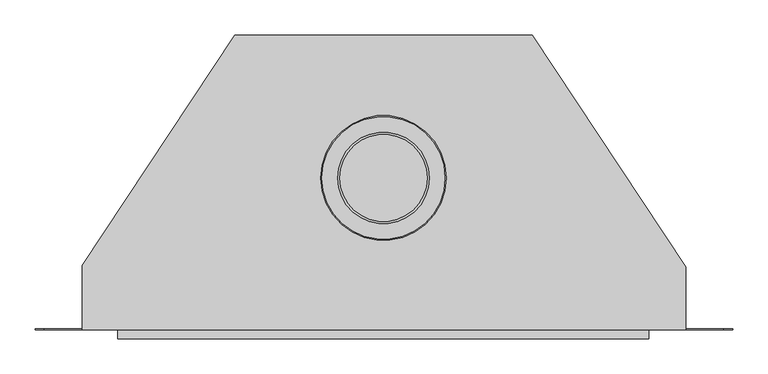
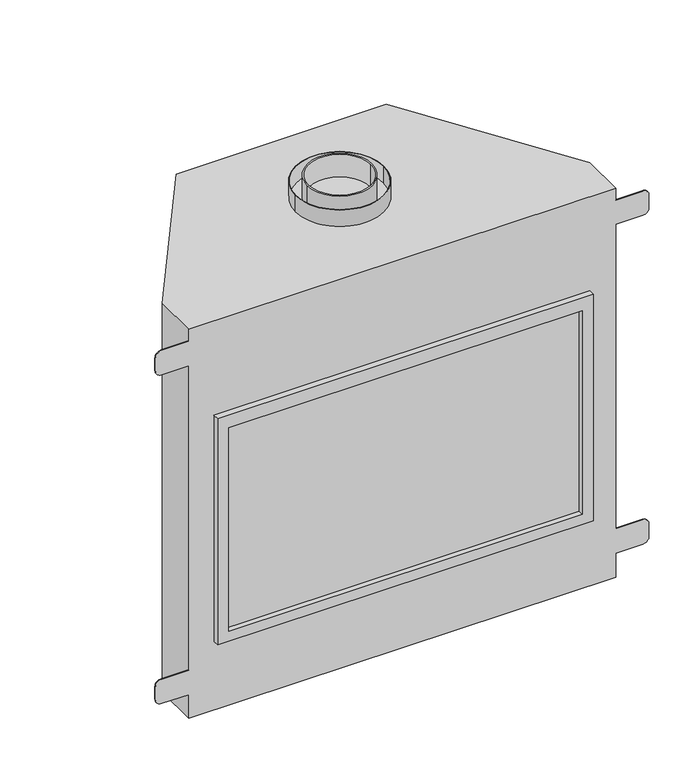
"""IFC4 building model written with IfcOpenShell, lengths in millimetres: proxy geometry."""

from ifc_helpers import new_model, si_unit, point, frame, frame_2d, origin, place, context, project, spatial, polyline, circle_curve, trimmed, segment, composite_curve, outline, extrude, source, transform, mapped, element, save
from ifc_brep_helpers import plane_surface, cylinder_surface, advanced_brep


def generic_models_ea72b414(model_context):
    return source(origin(), model_context, "Body", "SolidModel", [
        extrude(outline(composite_curve([segment(trimmed(circle_curve(frame_2d((0.0, 215.9)), 88.9), [point((-88.9, 215.9))], [point((88.9, 215.9))], False, "CARTESIAN"), True, "CONTINUOUS"), segment(trimmed(circle_curve(frame_2d((0.0, 215.9)), 88.9), [point((88.9, 215.9))], [point((-88.9, 215.9))], False, "CARTESIAN"), True, "CONTINUOUS")], self_intersect=False), holes=[composite_curve([segment(trimmed(circle_curve(frame_2d((0.0, 215.9)), 87.3125), [point((-87.3125, 215.9))], [point((87.3125, 215.9))], True, "CARTESIAN"), True, "CONTINUOUS"), segment(trimmed(circle_curve(frame_2d((0.0, 215.9)), 87.3125), [point((87.3125, 215.9))], [point((-87.3125, 215.9))], True, "CARTESIAN"), True, "CONTINUOUS")], self_intersect=False)]), frame((0.0, 0.0, 825.896875), z_axis=(0.0, 0.0, 1.0), x_axis=(1.0, 0.0, 0.0)), (0.0, 0.0, 1.0), 34.925),
        extrude(outline(composite_curve([segment(trimmed(circle_curve(frame_2d((0.0, 215.9)), 65.151), [point((-65.151, 215.9))], [point((65.151, 215.9))], False, "CARTESIAN"), True, "CONTINUOUS"), segment(trimmed(circle_curve(frame_2d((0.0, 215.9)), 65.151), [point((65.151, 215.9))], [point((-65.151, 215.9))], False, "CARTESIAN"), True, "CONTINUOUS")], self_intersect=False), holes=[composite_curve([segment(trimmed(circle_curve(frame_2d((0.0, 215.9)), 61.976), [point((-61.976, 215.9))], [point((61.976, 215.9))], True, "CARTESIAN"), True, "CONTINUOUS"), segment(trimmed(circle_curve(frame_2d((0.0, 215.9)), 61.976), [point((61.976, 215.9))], [point((-61.976, 215.9))], True, "CARTESIAN"), True, "CONTINUOUS")], self_intersect=False)]), frame((0.0, 0.0, 825.896875), z_axis=(0.0, 0.0, 1.0), x_axis=(1.0, 0.0, 0.0)), (0.0, 0.0, 1.0), 47.625),
        extrude(outline(polyline([(354.80625, -1.5875), (-354.80625, -1.5875), (-354.80625, 0.0), (354.80625, 0.0), (354.80625, -1.5875)])), frame((0.0, 0.0, 167.0373116), z_axis=(0.0, 0.0, 1.0), x_axis=(1.0, 0.0, 0.0)), (0.0, 0.0, 1.0), 431.8),
        extrude(outline(polyline([(146.05, 377.2417745), (626.1640501, 377.2417745), (626.1640501, -377.2418341), (146.05, -377.2418341), (146.05, 377.2417745)]), holes=[polyline([(598.8373116, -354.80625), (598.8373116, 354.80625), (167.0373116, 354.80625), (167.0373116, -354.80625), (598.8373116, -354.80625)])]), frame((0.0, -12.7, 0.0), z_axis=(0.0, 1.0, 0.0), x_axis=(0.0, 0.0, 1.0)), (0.0, 0.0, 1.0), 12.7),
        advanced_brep(
        [(429.4188245, 1.5875, 800.496875), (483.7624933, 1.5875, 800.496875), (496.4553408, 1.5875, 787.8372235), (496.455341, 1.5875, 761.3212016), (483.7956483, 1.5875, 748.6615066), (429.4188245, 1.5875, 748.6614972), (429.4188245, 1.5875, 102.5989216), (483.7956442, 1.5875, 102.5989159), (496.4553378, 1.5875, 89.939221), (496.4553378, 1.5875, 63.4255829), (483.7956429, 1.5875, 50.7658879), (429.4188245, 1.5875, 50.7658879), (-427.8311755, 1.5875, 50.7658879), (-482.2079898, 1.5875, 50.7658879), (-494.8676848, 1.5875, 63.4255829), (-494.8676848, 1.5875, 89.9392056), (-482.2079911, 1.5875, 102.5989005), (-427.8311755, 1.5875, 102.5989061), (-427.8311755, 1.5875, 748.6624229), (-482.2079462, 1.5875, 748.6624323), (-494.867639, 1.5875, 761.3221273), (-494.867639, 1.5875, 787.8244894), (-482.1747965, 1.5875, 800.4954449), (-427.8311755, 1.5875, 800.4954449), (429.4188245, 0.0, 800.496875), (429.4188245, 0.0, 825.896875), (-427.8311755, 0.0, 825.896875), (-427.8311755, 0.0, 800.4954449), (-482.1747965, 0.0, 800.4954449), (-494.867639, 0.0, 787.8244894), (-494.867639, 0.0, 761.3221273), (-482.2079462, 0.0, 748.6624323), (-427.8311755, 0.0, 748.6624229), (-427.8311755, 0.0, 102.5989061), (-482.2079911, 0.0, 102.5989005), (-494.8676848, 0.0, 89.9392056), (-494.8676848, 0.0, 63.4255829), (-482.2079898, 0.0, 50.7658879), (-427.8311755, 0.0, 50.7658879), (-427.8311755, 0.0, 0.0), (429.4188245, 0.0, 0.0), (429.4188245, 0.0, 50.7658879), (483.7956429, 0.0, 50.7658879), (496.4553378, 0.0, 63.4255829), (496.4553378, 0.0, 89.939221), (483.7956442, 0.0, 102.5989159), (429.4188245, 0.0, 102.5989216), (429.4188245, 0.0, 748.6614972), (483.7956483, 0.0, 748.6615066), (496.455341, 0.0, 761.3212016), (496.4553408, 0.0, 787.8372235), (483.7624933, 0.0, 800.496875), (-211.1375, 419.1, 825.896875), (211.1375517, 419.1, 825.896875), (211.1375517, 419.1, 0.0), (-211.1375, 419.1, 0.0), (429.4188245, 89.3129709, 0.0), (429.4188245, 89.3129709, 825.896875), (-427.8311755, 91.7115688, 825.896875), (-427.8311755, 91.7115688, 0.0)],
        [
            (0, 1),
            (1, 2, circle_curve(frame((483.7956458, 1.5875, 787.8372235), z_axis=(0.0, 1.0, 0.0), x_axis=(1.0, 0.0, 0.0)), 12.6596949)),
            (2, 3),
            (3, 4, circle_curve(frame((483.7956461, 1.5875, 761.3212016), z_axis=(0.0, 1.0, 0.0), x_axis=(1.0, 0.0, 0.0)), 12.6596949)),
            (4, 5),
            (5, 0),
            (6, 7),
            (7, 8, circle_curve(frame((483.7956429, 1.5875, 89.939221), z_axis=(0.0, 1.0, 0.0), x_axis=(1.0, 0.0, 0.0)), 12.6596949)),
            (8, 9),
            (9, 10, circle_curve(frame((483.7956429, 1.5875, 63.4255829), z_axis=(0.0, 1.0, 0.0), x_axis=(1.0, 0.0, 0.0)), 12.6596949)),
            (10, 11),
            (11, 6),
            (12, 13),
            (13, 14, circle_curve(frame((-482.2079898, 1.5875, 63.4255829), z_axis=(0.0, 1.0, 0.0), x_axis=(1.0, 0.0, 0.0)), 12.6596949)),
            (14, 15),
            (15, 16, circle_curve(frame((-482.2079898, 1.5875, 89.9392056), z_axis=(0.0, 1.0, 0.0), x_axis=(1.0, 0.0, 0.0)), 12.6596949)),
            (16, 17),
            (17, 12),
            (18, 19),
            (19, 20, circle_curve(frame((-482.207944, 1.5875, 761.3221273), z_axis=(0.0, 1.0, 0.0), x_axis=(1.0, 0.0, 0.0)), 12.6596949)),
            (20, 21),
            (21, 22, circle_curve(frame((-482.2079491, 1.5875, 787.8357934), z_axis=(0.0, 1.0, 0.0), x_axis=(1.0, 0.0, 0.0)), 12.6596949)),
            (22, 23),
            (23, 18),
            (24, 25),
            (25, 26),
            (26, 27),
            (27, 28),
            (28, 29, circle_curve(frame((-482.2079491, 0.0, 787.8357934), z_axis=(0.0, -1.0, 0.0), x_axis=(1.0, 0.0, 0.0)), 12.6596949)),
            (29, 30),
            (30, 31, circle_curve(frame((-482.207944, 0.0, 761.3221273), z_axis=(0.0, -1.0, 0.0), x_axis=(1.0, 0.0, 0.0)), 12.6596949)),
            (31, 32),
            (32, 33),
            (33, 34),
            (34, 35, circle_curve(frame((-482.2079898, 0.0, 89.9392056), z_axis=(0.0, -1.0, 0.0), x_axis=(1.0, 0.0, 0.0)), 12.6596949)),
            (35, 36),
            (36, 37, circle_curve(frame((-482.2079898, 0.0, 63.4255829), z_axis=(0.0, -1.0, 0.0), x_axis=(1.0, 0.0, 0.0)), 12.6596949)),
            (37, 38),
            (38, 39),
            (39, 40),
            (40, 41),
            (41, 42),
            (42, 43, circle_curve(frame((483.7956429, 0.0, 63.4255829), z_axis=(0.0, -1.0, 0.0), x_axis=(1.0, 0.0, 0.0)), 12.6596949)),
            (43, 44),
            (44, 45, circle_curve(frame((483.7956429, 0.0, 89.939221), z_axis=(0.0, -1.0, 0.0), x_axis=(1.0, 0.0, 0.0)), 12.6596949)),
            (45, 46),
            (46, 47),
            (47, 48),
            (48, 49, circle_curve(frame((483.7956461, 0.0, 761.3212016), z_axis=(0.0, -1.0, 0.0), x_axis=(1.0, 0.0, 0.0)), 12.6596949)),
            (49, 50),
            (50, 51, circle_curve(frame((483.7956458, 0.0, 787.8372235), z_axis=(0.0, -1.0, 0.0), x_axis=(1.0, 0.0, 0.0)), 12.6596949)),
            (51, 24),
            (52, 53),
            (53, 54),
            (54, 55),
            (55, 52),
            (24, 0),
            (5, 47),
            (46, 6),
            (11, 41),
            (40, 56),
            (56, 57),
            (57, 25),
            (57, 53),
            (52, 58),
            (58, 26),
            (58, 59),
            (59, 39),
            (38, 12),
            (17, 33),
            (32, 18),
            (23, 27),
            (22, 28),
            (21, 29),
            (20, 30),
            (19, 31),
            (16, 34),
            (15, 35),
            (14, 36),
            (13, 37),
            (59, 55),
            (54, 56),
            (10, 42),
            (9, 43),
            (8, 44),
            (7, 45),
            (4, 48),
            (3, 49),
            (2, 50),
            (1, 51),
        ],
        [
            plane_surface(frame((429.4188245, 1.5875, 782.1972667), z_axis=(0.0, 1.0, 0.0), x_axis=(0.0, 0.0, -1.0))),
            plane_surface(frame((429.4188245, 0.0, 782.1972667), z_axis=(0.0, -1.0, 0.0), x_axis=(0.0, 0.0, 1.0))),
            plane_surface(frame((211.1375517, 419.1, 825.896875), z_axis=(0.0, 1.0, 0.0), x_axis=(0.0, 0.0, -1.0))),
            plane_surface(frame((429.4188245, 0.0, 800.496875), z_axis=(1.0, 0.0, 0.0), x_axis=(0.0, 1.0, 0.0))),
            plane_surface(frame((429.4188245, 0.0, 825.896875), z_axis=(0.0, 0.0, 1.0), x_axis=(0.0, 1.0, 0.0))),
            plane_surface(frame((-427.8311755, 0.0, 825.896875), z_axis=(-1.0, 0.0, 0.0), x_axis=(0.0, 1.0, 0.0))),
            plane_surface(frame((-427.8311755, 0.0, 800.4954449), z_axis=(0.0, 0.0, 1.0), x_axis=(0.0, 1.0, 0.0))),
            cylinder_surface(frame((-482.2079491, 1.5875, 787.8357934), z_axis=(0.0, -1.0, 0.0), x_axis=(1.0, 0.0, 0.0)), 12.6596949),
            plane_surface(frame((-494.867639, 0.0, 787.8244894), z_axis=(-1.0, 0.0, 0.0), x_axis=(0.0, 1.0, 0.0))),
            cylinder_surface(frame((-482.207944, 1.5875, 761.3221273), z_axis=(0.0, -1.0, 0.0), x_axis=(1.0, 0.0, 0.0)), 12.6596949),
            plane_surface(frame((-482.2079462, 0.0, 748.6624323), z_axis=(-1.7377278833593195e-07, 0.0, -0.9999999999999849), x_axis=(0.0, 1.0, 0.0))),
            plane_surface(frame((-427.8311755, 0.0, 102.5989061), z_axis=(-1.0381910202311191e-07, 0.0, 0.9999999999999947), x_axis=(0.0, 1.0, 0.0))),
            cylinder_surface(frame((-482.2079898, 1.5875, 89.9392056), z_axis=(0.0, -1.0, 0.0), x_axis=(1.0, 0.0, 0.0)), 12.6596949),
            plane_surface(frame((-494.8676848, 0.0, 89.9392056), z_axis=(-1.0, 0.0, 0.0), x_axis=(0.0, 1.0, 0.0))),
            cylinder_surface(frame((-482.2079898, 1.5875, 63.4255829), z_axis=(0.0, -1.0, 0.0), x_axis=(1.0, 0.0, 0.0)), 12.6596949),
            plane_surface(frame((-482.2079898, 0.0, 50.7658879), z_axis=(0.0, 0.0, -1.0), x_axis=(0.0, 1.0, 0.0))),
            plane_surface(frame((-427.8311755, 0.0, 0.0), z_axis=(0.0, 0.0, -1.0), x_axis=(0.0, 1.0, 0.0))),
            plane_surface(frame((429.4188245, 0.0, 50.7658879), z_axis=(0.0, 0.0, -1.0), x_axis=(0.0, 1.0, 0.0))),
            cylinder_surface(frame((483.7956429, 1.5875, 63.4255829), z_axis=(0.0, -1.0, 0.0), x_axis=(1.0, 0.0, 0.0)), 12.6596949),
            plane_surface(frame((496.4553378, 0.0, 63.4255829), z_axis=(1.0, 0.0, 0.0), x_axis=(0.0, 1.0, 0.0))),
            cylinder_surface(frame((483.7956429, 1.5875, 89.939221), z_axis=(0.0, -1.0, 0.0), x_axis=(1.0, 0.0, 0.0)), 12.6596949),
            plane_surface(frame((483.7956442, 0.0, 102.5989159), z_axis=(1.0381913932778904e-07, 0.0, 0.9999999999999947), x_axis=(0.0, 1.0, 0.0))),
            plane_surface(frame((429.4188245, 0.0, 748.6614972), z_axis=(1.7377284279543404e-07, 0.0, -0.9999999999999849), x_axis=(0.0, 1.0, 0.0))),
            cylinder_surface(frame((483.7956461, 1.5875, 761.3212016), z_axis=(0.0, -1.0, 0.0), x_axis=(1.0, 0.0, 0.0)), 12.6596949),
            plane_surface(frame((496.455341, 0.0, 761.3212016), z_axis=(1.0, 0.0, 7.842193963390269e-09), x_axis=(0.0, 1.0, 0.0))),
            cylinder_surface(frame((483.7956458, 1.5875, 787.8372235), z_axis=(0.0, -1.0, 0.0), x_axis=(1.0, 0.0, 0.0)), 12.6596949),
            plane_surface(frame((483.7624933, 0.0, 800.496875), z_axis=(0.0, 0.0, 1.0), x_axis=(0.0, 1.0, 0.0))),
            plane_surface(frame((-211.1375, 419.1, 825.896875), z_axis=(-0.8338858220671688, 0.5519369853120574, 0.0), x_axis=(0.0, 0.0, -1.0))),
            plane_surface(frame((429.4188245, 89.3129709, 825.896875), z_axis=(0.8338858220671687, 0.5519369853120574, 0.0), x_axis=(0.0, 0.0, -1.0))),
        ],
        [
            (0, [[1, 2, 3, 4, 5, 6]]),
            (0, [[7, 8, 9, 10, 11, 12]]),
            (0, [[13, 14, 15, 16, 17, 18]]),
            (0, [[19, 20, 21, 22, 23, 24]]),
            (1, [[25, 26, 27, 28, 29, 30, 31, 32, 33, 34, 35, 36, 37, 38, 39, 40, 41, 42, 43, 44, 45, 46, 47, 48, 49, 50, 51, 52]]),
            (2, [[53, 54, 55, 56]]),
            (3, [[-25, 57, -6, 58, -47, 59, -12, 60, -41, 61, 62, 63]]),
            (4, [[-26, -63, 64, -53, 65, 66]]),
            (5, [[-27, -66, 67, 68, -39, 69, -18, 70, -33, 71, -24, 72]]),
            (6, [[-23, 73, -28, -72]]),
            (7, [[-22, 74, -29, -73]]),
            (8, [[-21, 75, -30, -74]]),
            (9, [[-20, 76, -31, -75]]),
            (10, [[-19, -71, -32, -76]]),
            (11, [[-17, 77, -34, -70]]),
            (12, [[-16, 78, -35, -77]]),
            (13, [[-15, 79, -36, -78]]),
            (14, [[-14, 80, -37, -79]]),
            (15, [[-13, -69, -38, -80]]),
            (16, [[-61, -40, -68, 81, -55, 82]]),
            (17, [[-11, 83, -42, -60]]),
            (18, [[-10, 84, -43, -83]]),
            (19, [[-9, 85, -44, -84]]),
            (20, [[-8, 86, -45, -85]]),
            (21, [[-7, -59, -46, -86]]),
            (22, [[-5, 87, -48, -58]]),
            (23, [[-4, 88, -49, -87]]),
            (24, [[-3, 89, -50, -88]]),
            (25, [[-2, 90, -51, -89]]),
            (26, [[-1, -57, -52, -90]]),
            (27, [[-65, -56, -81, -67]]),
            (28, [[-64, -62, -82, -54]]),
        ],
    ),
    ])


if __name__ == "__main__":
    model = new_model("IFC4")
    model_context = context("Model", 3, world=origin())
    ifc_project = project(units=[si_unit("LENGTHUNIT", "METRE", prefix="MILLI")], contexts=[model_context])
    site = spatial("IfcSite", under=ifc_project)
    building = spatial("IfcBuilding", under=site)
    placement = place(None, origin())
    generic_models_shape = generic_models_ea72b414(model_context)
    element("IfcBuildingElementProxy", 1, Name="Generic Models", at=placement, inside=building, context=model_context, shape_type="MappedRepresentation", body=[
        mapped(generic_models_shape, transform((0.0, 0.0, 0.0), x_axis=(1.0, 0.0, 0.0), y_axis=(0.0, 1.0, 0.0), z_axis=(0.0, 0.0, 1.0))),
    ])
    save(model, "model.ifc")
